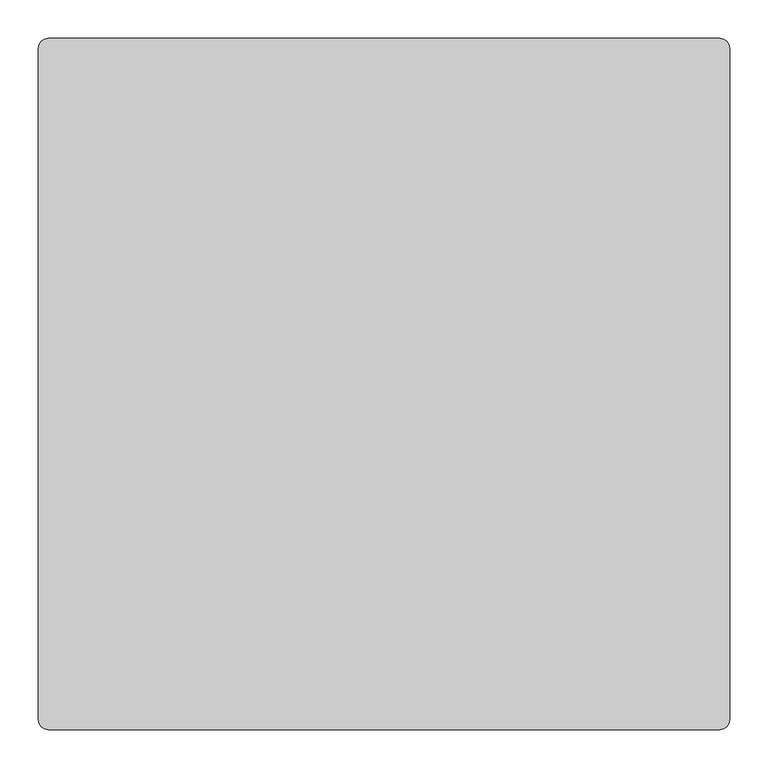
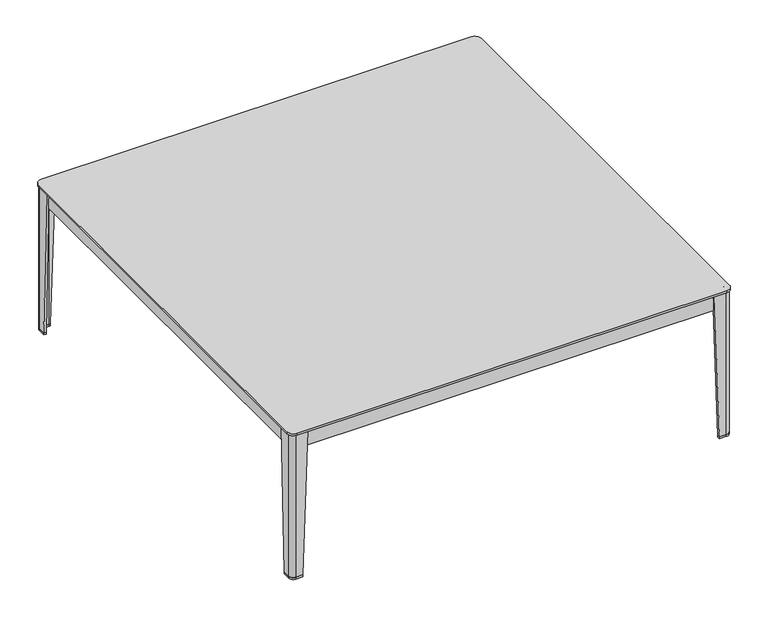
"""IFC4 building model written with IfcOpenShell, lengths in millimetres: furniture geometry."""

from ifc_helpers import new_model, si_unit, point, frame, frame_2d, origin, place, context, project, spatial, polyline, circle_curve, trimmed, segment, composite_curve, outline, extrude, source, transform, mapped, element, save
from ifc_brep_helpers import plane_surface, cylinder_surface, revolved_surface, advanced_brep


def furniture_c5d1782b(model_context):
    return source(origin(), model_context, "Body", "SolidModel", [
        advanced_brep(
        [(280.6347115, 123.9800099, 276.4600147), (286.634712, 123.9800099, 276.4600147), (286.634712, 133.0299165, 276.4600147), (269.6847824, 149.9799488, 276.4600147), (260.6347127, 149.9800036, 276.4600147), (260.6347127, 143.9799519, 276.4600147), (270.0281096, 143.9799519, 276.4600147), (280.6347115, 133.3734046, 276.4600147), (280.6347115, 131.8134707, 261.4600037), (280.6347115, 133.3734046, 261.4600037), (270.0281096, 143.9799519, 261.4600037), (268.4682257, 143.9799519, 261.4600037), (268.4682257, 149.9799561, 261.4600037), (269.6847824, 149.9799488, 261.4600037), (286.634712, 133.0299165, 261.4600037), (286.634712, 131.8134707, 261.4600037)],
        [
            (0, 1),
            (1, 2),
            (2, 3, circle_curve(frame((269.6846797, 133.0299165, 276.4600147), z_axis=(0.0, 0.0, 1.0), x_axis=(0.0, 1.0, 0.0)), 16.9500323)),
            (3, 4),
            (4, 5),
            (5, 6),
            (6, 7),
            (7, 0),
            (8, 9),
            (9, 10),
            (10, 11),
            (11, 12),
            (12, 13),
            (13, 14, circle_curve(frame((269.6846797, 133.0299165, 261.4600037), z_axis=(0.0, 0.0, -1.0), x_axis=(0.0, 1.0, 0.0)), 16.9500323)),
            (14, 15),
            (15, 8),
            (15, 1),
            (0, 8),
            (14, 2),
            (13, 3),
            (12, 4),
            (11, 5),
            (10, 6),
            (9, 7),
        ],
        [
            plane_surface(frame((274.4401455, 137.7853996, 276.4600147), z_axis=(0.0, 0.0, 1.0), x_axis=(1.0, 0.0, 0.0))),
            plane_surface(frame((276.3985238, 139.7437589, 261.4600037), z_axis=(0.0, 0.0, -1.0), x_axis=(1.0, 0.0, 0.0))),
            plane_surface(frame((283.6347117, 131.8134707, 261.4600037), z_axis=(0.0, -0.8864062173018061, -0.46290821760766293), x_axis=(1.0, 0.0, 0.0))),
            plane_surface(frame((286.634712, 132.4216936, 261.4600037), z_axis=(1.0, 0.0, 0.0), x_axis=(0.0, 1.0, 0.0))),
            cylinder_surface(frame((269.6846797, 133.0299165, 261.4600037), z_axis=(0.0, 0.0, 1.0), x_axis=(0.0, 1.0, 0.0)), 16.9500323),
            plane_surface(frame((269.0765041, 149.9799525, 261.4600037), z_axis=(6.055831584503518e-06, 0.9999999999816636, 0.0), x_axis=(-0.9999999999816636, 6.055831584503518e-06, 0.0))),
            plane_surface(frame((268.4682257, 146.979954, 261.4600037), z_axis=(-0.886404950810056, 0.0, -0.46291064275886157), x_axis=(0.0, -1.0, 0.0))),
            plane_surface(frame((269.2481677, 143.9799519, 261.4600037), z_axis=(0.0, -1.0, 0.0), x_axis=(1.0, 0.0, 0.0))),
            plane_surface(frame((275.3314105, 138.6766783, 261.4600037), z_axis=(-0.7071049644302781, -0.7071085979381493, 0.0), x_axis=(0.7071085979381493, -0.7071049644302781, 0.0))),
            plane_surface(frame((280.6347115, 132.5934377, 261.4600037), z_axis=(-1.0, 0.0, 0.0), x_axis=(0.0, -1.0, 0.0))),
        ],
        [
            (0, [[1, 2, 3, 4, 5, 6, 7, 8]]),
            (1, [[9, 10, 11, 12, 13, 14, 15, 16]]),
            (2, [[-16, 17, -1, 18]]),
            (3, [[-15, 19, -2, -17]]),
            (4, [[-14, 20, -3, -19]]),
            (5, [[-13, 21, -4, -20]]),
            (6, [[-12, 22, -5, -21]]),
            (7, [[-11, 23, -6, -22]]),
            (8, [[-10, 24, -7, -23]]),
            (9, [[-9, -18, -8, -24]]),
        ],
    ),
        advanced_brep(
        [(-591.5252878, 123.9800099, 276.4600147), (-591.5252878, 133.3734046, 276.4600147), (-580.9186859, 143.9799519, 276.4600147), (-571.525289, 143.9799519, 276.4600147), (-571.525289, 149.9800036, 276.4600147), (-580.5753587, 149.9799488, 276.4600147), (-597.5252883, 133.0299165, 276.4600147), (-597.5252883, 123.9800099, 276.4600147), (-591.5252878, 131.8134707, 261.4600037), (-597.5252883, 131.8134707, 261.4600037), (-597.5252883, 133.0299165, 261.4600037), (-580.5753587, 149.9799488, 261.4600037), (-579.358802, 149.9799561, 261.4600037), (-579.358802, 143.9799519, 261.4600037), (-580.9186859, 143.9799519, 261.4600037), (-591.5252878, 133.3734046, 261.4600037)],
        [
            (0, 1),
            (1, 2),
            (2, 3),
            (3, 4),
            (4, 5),
            (5, 6, circle_curve(frame((-580.575256, 133.0299165, 276.4600147), z_axis=(0.0, 0.0, 1.0), x_axis=(-0.9999999999816634, -6.055831308072628e-06, 0.0)), 16.9500323)),
            (6, 7),
            (7, 0),
            (8, 9),
            (9, 10),
            (10, 11, circle_curve(frame((-580.575256, 133.0299165, 261.4600037), z_axis=(0.0, 0.0, -1.0), x_axis=(-0.9999999999816634, -6.055831308072628e-06, 0.0)), 16.9500323)),
            (11, 12),
            (12, 13),
            (13, 14),
            (14, 15),
            (15, 8),
            (8, 0),
            (7, 9),
            (6, 10),
            (5, 11),
            (4, 12),
            (3, 13),
            (2, 14),
            (1, 15),
        ],
        [
            plane_surface(frame((-585.3307218, 137.7853996, 276.4600147), z_axis=(0.0, 0.0, 1.0), x_axis=(0.0, 1.0, 0.0))),
            plane_surface(frame((-587.2891001, 139.7437589, 261.4600037), z_axis=(0.0, 0.0, -1.0), x_axis=(0.0, 1.0, 0.0))),
            plane_surface(frame((-594.525288, 131.8134707, 261.4600037), z_axis=(0.0, -0.8864062173018299, -0.4629082176076173), x_axis=(1.0, 0.0, 0.0))),
            plane_surface(frame((-597.5252883, 132.4216936, 261.4600037), z_axis=(-1.0, 0.0, 0.0), x_axis=(0.0, -1.0, 0.0))),
            cylinder_surface(frame((-580.575256, 133.0299165, 261.4600037), z_axis=(0.0, 0.0, 1.0), x_axis=(-0.9999999999816634, -6.055831308072628e-06, 0.0)), 16.9500323),
            plane_surface(frame((-579.9670804, 149.9799525, 261.4600037), z_axis=(-6.055831524677201e-06, 0.9999999999816636, 0.0), x_axis=(-0.9999999999816636, -6.055831524677201e-06, 0.0))),
            plane_surface(frame((-579.358802, 146.979954, 261.4600037), z_axis=(0.8864049508100535, 0.0, -0.46291064275886623), x_axis=(0.0, 1.0, 0.0))),
            plane_surface(frame((-580.138744, 143.9799519, 261.4600037), z_axis=(0.0, -1.0, 0.0), x_axis=(1.0, 0.0, 0.0))),
            plane_surface(frame((-586.2219868, 138.6766783, 261.4600037), z_axis=(0.7071049644302397, -0.7071085979381876, 0.0), x_axis=(0.7071085979381876, 0.7071049644302397, 0.0))),
            plane_surface(frame((-591.5252878, 132.5934377, 261.4600037), z_axis=(1.0, 0.0, 0.0), x_axis=(0.0, 1.0, 0.0))),
        ],
        [
            (0, [[1, 2, 3, 4, 5, 6, 7, 8]]),
            (1, [[9, 10, 11, 12, 13, 14, 15, 16]]),
            (2, [[-9, 17, -8, 18]]),
            (3, [[-10, -18, -7, 19]]),
            (4, [[-11, -19, -6, 20]]),
            (5, [[-12, -20, -5, 21]]),
            (6, [[-13, -21, -4, 22]]),
            (7, [[-14, -22, -3, 23]]),
            (8, [[-15, -23, -2, 24]]),
            (9, [[-16, -24, -1, -17]]),
        ],
    ),
        advanced_brep(
        [(280.6347115, -708.1800099, 276.4600147), (280.6347115, -717.5734046, 276.4600147), (270.0281096, -728.1799519, 276.4600147), (260.6347127, -728.1799519, 276.4600147), (260.6347127, -734.1800036, 276.4600147), (269.6847824, -734.1799488, 276.4600147), (286.634712, -717.2299165, 276.4600147), (286.634712, -708.1800099, 276.4600147), (280.6347115, -716.0134707, 261.4600037), (286.634712, -716.0134707, 261.4600037), (286.634712, -717.2299165, 261.4600037), (269.6847824, -734.1799488, 261.4600037), (268.4682257, -734.1799561, 261.4600037), (268.4682257, -728.1799519, 261.4600037), (270.0281096, -728.1799519, 261.4600037), (280.6347115, -717.5734046, 261.4600037)],
        [
            (0, 1),
            (1, 2),
            (2, 3),
            (3, 4),
            (4, 5),
            (5, 6, circle_curve(frame((269.6846797, -717.2299165, 276.4600147), z_axis=(0.0, 0.0, 1.0), x_axis=(0.9999999999816634, 6.055831301732914e-06, 0.0)), 16.9500323)),
            (6, 7),
            (7, 0),
            (8, 9),
            (9, 10),
            (10, 11, circle_curve(frame((269.6846797, -717.2299165, 261.4600037), z_axis=(0.0, 0.0, -1.0), x_axis=(0.9999999999816634, 6.055831301732914e-06, 0.0)), 16.9500323)),
            (11, 12),
            (12, 13),
            (13, 14),
            (14, 15),
            (15, 8),
            (8, 0),
            (7, 9),
            (6, 10),
            (5, 11),
            (4, 12),
            (3, 13),
            (2, 14),
            (1, 15),
        ],
        [
            plane_surface(frame((274.4401455, -721.9853996, 276.4600147), z_axis=(0.0, 0.0, 1.0), x_axis=(0.0, -1.0, 0.0))),
            plane_surface(frame((276.3985238, -723.9437589, 261.4600037), z_axis=(0.0, 0.0, -1.0), x_axis=(0.0, -1.0, 0.0))),
            plane_surface(frame((283.6347117, -716.0134707, 261.4600037), z_axis=(0.0, 0.8864062173018168, -0.4629082176076425), x_axis=(-1.0, 0.0, 0.0))),
            plane_surface(frame((286.634712, -716.6216936, 261.4600037), z_axis=(1.0, 0.0, 0.0), x_axis=(0.0, 1.0, 0.0))),
            cylinder_surface(frame((269.6846797, -717.2299165, 261.4600037), z_axis=(0.0, 0.0, 1.0), x_axis=(0.9999999999816634, 6.055831301732914e-06, 0.0)), 16.9500323),
            plane_surface(frame((269.0765041, -734.1799525, 261.4600037), z_axis=(6.0558315620688244e-06, -0.9999999999816636, 0.0), x_axis=(0.9999999999816636, 6.0558315620688244e-06, 0.0))),
            plane_surface(frame((268.4682257, -731.179954, 261.4600037), z_axis=(-0.886404950810056, 0.0, -0.46291064275886157), x_axis=(0.0, -1.0, 0.0))),
            plane_surface(frame((269.2481677, -728.1799519, 261.4600037), z_axis=(0.0, 1.0, 0.0), x_axis=(-1.0, 0.0, 0.0))),
            plane_surface(frame((275.3314105, -722.8766783, 261.4600037), z_axis=(-0.7071049644302432, 0.7071085979381843, 0.0), x_axis=(-0.7071085979381843, -0.7071049644302432, 0.0))),
            plane_surface(frame((280.6347115, -716.7934377, 261.4600037), z_axis=(-1.0, 0.0, 0.0), x_axis=(0.0, -1.0, 0.0))),
        ],
        [
            (0, [[1, 2, 3, 4, 5, 6, 7, 8]]),
            (1, [[9, 10, 11, 12, 13, 14, 15, 16]]),
            (2, [[-9, 17, -8, 18]]),
            (3, [[-10, -18, -7, 19]]),
            (4, [[-11, -19, -6, 20]]),
            (5, [[-12, -20, -5, 21]]),
            (6, [[-13, -21, -4, 22]]),
            (7, [[-14, -22, -3, 23]]),
            (8, [[-15, -23, -2, 24]]),
            (9, [[-16, -24, -1, -17]]),
        ],
    ),
        advanced_brep(
        [(-591.5252878, -708.1800099, 276.4600147), (-597.5252883, -708.1800099, 276.4600147), (-597.5252883, -717.2299165, 276.4600147), (-580.5753587, -734.1799488, 276.4600147), (-571.525289, -734.1800036, 276.4600147), (-571.525289, -728.1799519, 276.4600147), (-580.9186859, -728.1799519, 276.4600147), (-591.5252878, -717.5734046, 276.4600147), (-591.5252878, -716.0134707, 261.4600037), (-591.5252878, -717.5734046, 261.4600037), (-580.9186859, -728.1799519, 261.4600037), (-579.358802, -728.1799519, 261.4600037), (-579.358802, -734.1799561, 261.4600037), (-580.5753587, -734.1799488, 261.4600037), (-597.5252883, -717.2299165, 261.4600037), (-597.5252883, -716.0134707, 261.4600037)],
        [
            (0, 1),
            (1, 2),
            (2, 3, circle_curve(frame((-580.575256, -717.2299165, 276.4600147), z_axis=(0.0, 0.0, 1.0), x_axis=(0.0, -1.0, 0.0)), 16.9500323)),
            (3, 4),
            (4, 5),
            (5, 6),
            (6, 7),
            (7, 0),
            (8, 9),
            (9, 10),
            (10, 11),
            (11, 12),
            (12, 13),
            (13, 14, circle_curve(frame((-580.575256, -717.2299165, 261.4600037), z_axis=(0.0, 0.0, -1.0), x_axis=(0.0, -1.0, 0.0)), 16.9500323)),
            (14, 15),
            (15, 8),
            (15, 1),
            (0, 8),
            (14, 2),
            (13, 3),
            (12, 4),
            (11, 5),
            (10, 6),
            (9, 7),
        ],
        [
            plane_surface(frame((-585.3307218, -721.9853996, 276.4600147), z_axis=(0.0, 0.0, 1.0), x_axis=(-1.0, 0.0, 0.0))),
            plane_surface(frame((-587.2891001, -723.9437589, 261.4600037), z_axis=(0.0, 0.0, -1.0), x_axis=(-1.0, 0.0, 0.0))),
            plane_surface(frame((-594.525288, -716.0134707, 261.4600037), z_axis=(0.0, 0.8864062173018398, -0.4629082176075985), x_axis=(-1.0, 0.0, 0.0))),
            plane_surface(frame((-597.5252883, -716.6216936, 261.4600037), z_axis=(-1.0, 0.0, 0.0), x_axis=(0.0, -1.0, 0.0))),
            cylinder_surface(frame((-580.575256, -717.2299165, 261.4600037), z_axis=(0.0, 0.0, 1.0), x_axis=(0.0, -1.0, 0.0)), 16.9500323),
            plane_surface(frame((-579.9670804, -734.1799525, 261.4600037), z_axis=(-6.055831547112392e-06, -0.9999999999816634, 0.0), x_axis=(0.9999999999816634, -6.055831547112392e-06, 0.0))),
            plane_surface(frame((-579.358802, -731.179954, 261.4600037), z_axis=(0.8864049508100551, 0.0, -0.4629106427588631), x_axis=(0.0, 1.0, 0.0))),
            plane_surface(frame((-580.138744, -728.1799519, 261.4600037), z_axis=(0.0, 1.0, 0.0), x_axis=(-1.0, 0.0, 0.0))),
            plane_surface(frame((-586.2219868, -722.8766783, 261.4600037), z_axis=(0.7071049644302589, 0.7071085979381685, 0.0), x_axis=(-0.7071085979381685, 0.7071049644302589, 0.0))),
            plane_surface(frame((-591.5252878, -716.7934377, 261.4600037), z_axis=(1.0, 0.0, 0.0), x_axis=(0.0, 1.0, 0.0))),
        ],
        [
            (0, [[1, 2, 3, 4, 5, 6, 7, 8]]),
            (1, [[9, 10, 11, 12, 13, 14, 15, 16]]),
            (2, [[-16, 17, -1, 18]]),
            (3, [[-15, 19, -2, -17]]),
            (4, [[-14, 20, -3, -19]]),
            (5, [[-13, 21, -4, -20]]),
            (6, [[-12, 22, -5, -21]]),
            (7, [[-11, 23, -6, -22]]),
            (8, [[-10, 24, -7, -23]]),
            (9, [[-9, -18, -8, -24]]),
        ],
    ),
        extrude(outline(polyline([(-589.0252882, 131.4800141), (-579.0252877, 141.4800146), (268.1347146, 141.4800146), (278.1346856, 131.4800141), (278.1346856, -715.6799882), (268.1347146, -725.6799592), (-579.0252877, -725.6799592), (-589.0252882, -715.6799882), (-589.0252882, 131.4800141)])), frame((0.0, 0.0, 276.4600147), z_axis=(0.0, 0.0, 1.0), x_axis=(1.0, 0.0, 0.0)), (0.0, 0.0, 1.0), 19.9999965),
        extrude(outline(polyline([(-597.5252883, 123.9800154), (-591.5252878, 123.9800154), (-591.5252878, 133.3734123), (-580.9186859, 143.9514388), (-571.525289, 143.9514388), (-571.525289, 149.9445613), (260.6347363, 149.9395219), (260.6347363, 143.9514388), (270.028131, 143.9514388), (280.6346783, 133.3734123), (280.6346783, 123.9800154), (286.634712, 123.9800154), (286.634712, -708.1800099), (280.6346783, -708.1800099), (280.6346783, -717.5734046), (270.028131, -728.1513767), (260.6347363, -728.1513767), (260.6347363, -734.1395221), (-571.525289, -734.1445615), (-571.525289, -728.1513767), (-580.9186859, -728.1513767), (-591.5252878, -717.5734046), (-591.5252878, -708.1800099), (-597.5252883, -708.1800099), (-597.5252883, 123.9800154)]), holes=[polyline([(-579.0252877, -725.651384), (268.1347146, -725.651384), (278.1346856, -715.6799882), (278.1346856, 131.4800141), (268.1347146, 141.4514393), (-579.0252877, 141.4514393), (-589.0252882, 131.4800141), (-589.0252882, -715.6799882), (-579.0252877, -725.651384)])]), frame((0.0, 0.0, 276.4600147), z_axis=(0.0, 0.0, 1.0), x_axis=(1.0, 0.0, 0.0)), (0.0, 0.0, 1.0), 34.5000017),
        extrude(outline(composite_curve([segment(polyline([(-578.5252887, 154.9798559), (-578.5252887, 149.9799612), (-580.5753587, 149.9799488)]), True, "CONTINUOUS"), segment(trimmed(circle_curve(frame_2d((-580.575256, 133.0299165)), 16.9500323), [point((-580.5753587, 149.9799488))], [point((-597.5252883, 133.0299165))], True, "CARTESIAN"), True, "CONTINUOUS"), segment(polyline([(-597.5252883, 133.0299165), (-597.5252883, 130.9800187), (-602.5250423, 130.9800187), (-602.5250423, 145.3750328)]), True, "CONTINUOUS"), segment(trimmed(circle_curve(frame_2d((-592.9202193, 145.3750328)), 9.604823), [point((-602.5250423, 145.3750328))], [point((-592.9202193, 154.9798559))], False, "CARTESIAN"), True, "CONTINUOUS"), segment(polyline([(-592.9202193, 154.9798559), (-578.5252887, 154.9798559)]), True, "CONTINUOUS")], self_intersect=False)), frame((0.0, 0.0, 0.5000058), z_axis=(0.0, 0.0, 1.0), x_axis=(1.0, 0.0, 0.0)), (0.0, 0.0, 1.0), 4.0),
        advanced_brep(
        [(-592.9202193, 154.9798559, 311.4600223), (-602.5250423, 145.3750328, 311.4600223), (-602.5250423, 120.979975, 311.4600223), (-597.5252883, 120.979975, 311.4600223), (-597.5252883, 133.0299165, 311.4600223), (-580.5753587, 149.9799488, 311.4600223), (-568.5252881, 149.9800217, 311.4600223), (-568.5252881, 154.9798559, 311.4600223), (-592.9202193, 154.9798559, 4.5000058), (-578.5252887, 154.9798559, 4.5000058), (-578.5252887, 149.9799612, 4.5000058), (-580.5753587, 149.9799488, 4.5000058), (-597.5252883, 133.0299165, 4.5000058), (-597.5252883, 130.9800187, 4.5000058), (-602.5250423, 130.9800187, 4.5000058), (-602.5250423, 145.3750328, 4.5000058)],
        [
            (0, 1, circle_curve(frame((-592.9202193, 145.3750328, 311.4600223), z_axis=(0.0, 0.0, 1.0), x_axis=(-1.0, 0.0, 0.0)), 9.604823)),
            (1, 2),
            (2, 3),
            (3, 4),
            (4, 5, circle_curve(frame((-580.575256, 133.0299165, 311.4600223), z_axis=(0.0, 0.0, -1.0), x_axis=(0.0, 1.0, 0.0)), 16.9500323)),
            (5, 6),
            (6, 7),
            (7, 0),
            (8, 9),
            (9, 10),
            (10, 11),
            (11, 12, circle_curve(frame((-580.575256, 133.0299165, 4.5000058), z_axis=(0.0, 0.0, 1.0), x_axis=(0.0, 1.0, 0.0)), 16.9500323)),
            (12, 13),
            (13, 14),
            (14, 15),
            (15, 8, circle_curve(frame((-592.9202193, 145.3750328, 4.5000058), z_axis=(0.0, 0.0, -1.0), x_axis=(-1.0, 0.0, 0.0)), 9.604823)),
            (10, 6),
            (5, 11),
            (14, 2),
            (1, 15),
            (0, 8),
            (7, 9),
            (13, 3),
            (4, 12),
        ],
        [
            plane_surface(frame((-588.8308519, 141.2855727, 311.4600223), z_axis=(0.0, 0.0, 1.0), x_axis=(0.0, 1.0, 0.0))),
            plane_surface(frame((-591.3308521, 143.785576, 4.5000058), z_axis=(0.0, 0.0, -1.0), x_axis=(0.0, 1.0, 0.0))),
            plane_surface(frame((-579.5503237, 149.979955, 4.5000058), z_axis=(6.055830886270702e-06, -0.9999999999816636, 0.0), x_axis=(0.9999999999816636, 6.055830886270702e-06, 0.0))),
            plane_surface(frame((-602.5250423, 138.1775258, 4.5000058), z_axis=(-1.0, 0.0, 0.0), x_axis=(0.0, -1.0, 0.0))),
            cylinder_surface(frame((-592.9202193, 145.3750328, 4.5000058), z_axis=(0.0, 0.0, 1.0), x_axis=(-1.0, 0.0, 0.0)), 9.604823),
            plane_surface(frame((-585.722754, 154.9798559, 4.5000058), z_axis=(0.0, 1.0, 0.0), x_axis=(-1.0, 0.0, 0.0))),
            plane_surface(frame((-578.5252887, 152.4799085, 4.5000058), z_axis=(0.9994697741300406, 0.0, -0.032560261062308915), x_axis=(0.0, 1.0, 0.0))),
            plane_surface(frame((-600.0251653, 130.9800187, 4.5000058), z_axis=(0.0, -0.9994697695580651, -0.032560401403364754), x_axis=(1.0, 0.0, 0.0))),
            revolved_surface(polyline([(-580.575256, 149.97994880000002, 311.4600223), (-580.575256, 149.97994880000002, 4.5000058)]), (-580.575256, 133.0299165, 4.5000058), (0.0, 0.0, 1.0)),
            plane_surface(frame((-597.5252883, 132.0049676, 4.5000058), z_axis=(1.0, 0.0, 0.0), x_axis=(0.0, 1.0, 0.0))),
        ],
        [
            (0, [[1, 2, 3, 4, 5, 6, 7, 8]]),
            (1, [[9, 10, 11, 12, 13, 14, 15, 16]]),
            (2, [[-11, 17, -6, 18]]),
            (3, [[-15, 19, -2, 20]]),
            (4, [[-16, -20, -1, 21]]),
            (5, [[-9, -21, -8, 22]]),
            (6, [[-10, -22, -7, -17]]),
            (7, [[-14, 23, -3, -19]]),
            (8, [[-12, -18, -5, 24]]),
            (9, [[-13, -24, -4, -23]]),
        ],
    ),
        extrude(outline(composite_curve([segment(polyline([(267.6347124, 154.9798559), (282.029643, 154.9798559)]), True, "CONTINUOUS"), segment(trimmed(circle_curve(frame_2d((282.029643, 145.3750328)), 9.604823), [point((282.029643, 154.9798559))], [point((291.634466, 145.3750328))], False, "CARTESIAN"), True, "CONTINUOUS"), segment(polyline([(291.634466, 145.3750328), (291.634466, 130.9800187), (286.634712, 130.9800187), (286.634712, 133.0299165)]), True, "CONTINUOUS"), segment(trimmed(circle_curve(frame_2d((269.6846797, 133.0299165)), 16.9500323), [point((286.634712, 133.0299165))], [point((269.6847824, 149.9799488))], True, "CARTESIAN"), True, "CONTINUOUS"), segment(polyline([(269.6847824, 149.9799488), (267.6347124, 149.9799612), (267.6347124, 154.9798559)]), True, "CONTINUOUS")], self_intersect=False)), frame((0.0, 0.0, 0.5000058), z_axis=(0.0, 0.0, 1.0), x_axis=(1.0, 0.0, 0.0)), (0.0, 0.0, 1.0), 4.0),
        advanced_brep(
        [(282.029643, 154.9798559, 311.4600223), (257.6347118, 154.9798559, 311.4600223), (257.6347118, 149.9800217, 311.4600223), (269.6847824, 149.9799488, 311.4600223), (286.634712, 133.0299165, 311.4600223), (286.634712, 120.979975, 311.4600223), (291.634466, 120.979975, 311.4600223), (291.634466, 145.3750328, 311.4600223), (282.029643, 154.9798559, 4.5000058), (291.634466, 145.3750328, 4.5000058), (291.634466, 130.9800187, 4.5000058), (286.634712, 130.9800187, 4.5000058), (286.634712, 133.0299165, 4.5000058), (269.6847824, 149.9799488, 4.5000058), (267.6347124, 149.9799612, 4.5000058), (267.6347124, 154.9798559, 4.5000058)],
        [
            (0, 1),
            (1, 2),
            (2, 3),
            (3, 4, circle_curve(frame((269.6846797, 133.0299165, 311.4600223), z_axis=(0.0, 0.0, -1.0), x_axis=(0.9999999999816634, -6.055831369081084e-06, 0.0)), 16.9500323)),
            (4, 5),
            (5, 6),
            (6, 7),
            (7, 0, circle_curve(frame((282.029643, 145.3750328, 311.4600223), z_axis=(0.0, 0.0, 1.0), x_axis=(0.0, 1.0, 0.0)), 9.604823)),
            (8, 9, circle_curve(frame((282.029643, 145.3750328, 4.5000058), z_axis=(0.0, 0.0, -1.0), x_axis=(0.0, 1.0, 0.0)), 9.604823)),
            (9, 10),
            (10, 11),
            (11, 12),
            (12, 13, circle_curve(frame((269.6846797, 133.0299165, 4.5000058), z_axis=(0.0, 0.0, 1.0), x_axis=(0.9999999999816634, -6.055831369081084e-06, 0.0)), 16.9500323)),
            (13, 14),
            (14, 15),
            (15, 8),
            (13, 3),
            (2, 14),
            (9, 7),
            (6, 10),
            (8, 0),
            (15, 1),
            (5, 11),
            (12, 4),
        ],
        [
            plane_surface(frame((277.9402756, 141.2855727, 311.4600223), z_axis=(0.0, 0.0, 1.0), x_axis=(1.0, 0.0, 0.0))),
            plane_surface(frame((280.4402758, 143.785576, 4.5000058), z_axis=(0.0, 0.0, -1.0), x_axis=(1.0, 0.0, 0.0))),
            plane_surface(frame((268.6597474, 149.979955, 4.5000058), z_axis=(-6.0558314310871e-06, -0.9999999999816634, 0.0), x_axis=(0.9999999999816634, -6.0558314310871e-06, 0.0))),
            plane_surface(frame((291.634466, 138.1775258, 4.5000058), z_axis=(1.0, 0.0, 0.0), x_axis=(0.0, 1.0, 0.0))),
            cylinder_surface(frame((282.029643, 145.3750328, 4.5000058), z_axis=(0.0, 0.0, 1.0), x_axis=(0.0, 1.0, 0.0)), 9.604823),
            plane_surface(frame((274.8321777, 154.9798559, 4.5000058), z_axis=(0.0, 1.0, 0.0), x_axis=(-1.0, 0.0, 0.0))),
            plane_surface(frame((267.6347124, 152.4799085, 4.5000058), z_axis=(-0.9994697741300409, 0.0, -0.03256026106229954), x_axis=(0.0, -1.0, 0.0))),
            plane_surface(frame((289.134589, 130.9800187, 4.5000058), z_axis=(0.0, -0.9994697695580574, -0.032560401403600656), x_axis=(1.0, 0.0, 0.0))),
            revolved_surface(polyline([(286.6347119996892, 133.0298138534627, 311.4600223), (286.6347119996892, 133.0298138534627, 4.5000058)]), (269.6846797, 133.0299165, 4.5000058), (0.0, 0.0, 1.0)),
            plane_surface(frame((286.634712, 132.0049676, 4.5000058), z_axis=(-1.0, 0.0, 0.0), x_axis=(0.0, -1.0, 0.0))),
        ],
        [
            (0, [[1, 2, 3, 4, 5, 6, 7, 8]]),
            (1, [[9, 10, 11, 12, 13, 14, 15, 16]]),
            (2, [[-14, 17, -3, 18]]),
            (3, [[-10, 19, -7, 20]]),
            (4, [[-9, 21, -8, -19]]),
            (5, [[-16, 22, -1, -21]]),
            (6, [[-15, -18, -2, -22]]),
            (7, [[-11, -20, -6, 23]]),
            (8, [[-13, 24, -4, -17]]),
            (9, [[-12, -23, -5, -24]]),
        ],
    ),
        extrude(outline(composite_curve([segment(polyline([(267.6347124, -739.1798559), (267.6347124, -734.1799612), (269.6847824, -734.1799488)]), True, "CONTINUOUS"), segment(trimmed(circle_curve(frame_2d((269.6846797, -717.2299165)), 16.9500323), [point((269.6847824, -734.1799488))], [point((286.634712, -717.2299165))], True, "CARTESIAN"), True, "CONTINUOUS"), segment(polyline([(286.634712, -717.2299165), (286.634712, -715.1800187), (291.634466, -715.1800187), (291.634466, -729.5750328)]), True, "CONTINUOUS"), segment(trimmed(circle_curve(frame_2d((282.029643, -729.5750328)), 9.604823), [point((291.634466, -729.5750328))], [point((282.029643, -739.1798559))], False, "CARTESIAN"), True, "CONTINUOUS"), segment(polyline([(282.029643, -739.1798559), (267.6347124, -739.1798559)]), True, "CONTINUOUS")], self_intersect=False)), frame((0.0, 0.0, 0.5000058), z_axis=(0.0, 0.0, 1.0), x_axis=(1.0, 0.0, 0.0)), (0.0, 0.0, 1.0), 4.0),
        advanced_brep(
        [(282.029643, -739.1798559, 311.4600223), (291.634466, -729.5750328, 311.4600223), (291.634466, -705.179975, 311.4600223), (286.634712, -705.179975, 311.4600223), (286.634712, -717.2299165, 311.4600223), (269.6847824, -734.1799488, 311.4600223), (257.6347118, -734.1800217, 311.4600223), (257.6347118, -739.1798559, 311.4600223), (282.029643, -739.1798559, 4.5000058), (267.6347124, -739.1798559, 4.5000058), (267.6347124, -734.1799612, 4.5000058), (269.6847824, -734.1799488, 4.5000058), (286.634712, -717.2299165, 4.5000058), (286.634712, -715.1800187, 4.5000058), (291.634466, -715.1800187, 4.5000058), (291.634466, -729.5750328, 4.5000058)],
        [
            (0, 1, circle_curve(frame((282.029643, -729.5750328, 311.4600223), z_axis=(0.0, 0.0, 1.0), x_axis=(1.0, 0.0, 0.0)), 9.604823)),
            (1, 2),
            (2, 3),
            (3, 4),
            (4, 5, circle_curve(frame((269.6846797, -717.2299165, 311.4600223), z_axis=(0.0, 0.0, -1.0), x_axis=(0.0, -1.0, 0.0)), 16.9500323)),
            (5, 6),
            (6, 7),
            (7, 0),
            (8, 9),
            (9, 10),
            (10, 11),
            (11, 12, circle_curve(frame((269.6846797, -717.2299165, 4.5000058), z_axis=(0.0, 0.0, 1.0), x_axis=(0.0, -1.0, 0.0)), 16.9500323)),
            (12, 13),
            (13, 14),
            (14, 15),
            (15, 8, circle_curve(frame((282.029643, -729.5750328, 4.5000058), z_axis=(0.0, 0.0, -1.0), x_axis=(1.0, 0.0, 0.0)), 9.604823)),
            (10, 6),
            (5, 11),
            (14, 2),
            (1, 15),
            (0, 8),
            (7, 9),
            (13, 3),
            (4, 12),
        ],
        [
            plane_surface(frame((277.9402756, -725.4855727, 311.4600223), z_axis=(0.0, 0.0, 1.0), x_axis=(0.0, -1.0, 0.0))),
            plane_surface(frame((280.4402758, -727.985576, 4.5000058), z_axis=(0.0, 0.0, -1.0), x_axis=(0.0, -1.0, 0.0))),
            plane_surface(frame((268.6597474, -734.179955, 4.5000058), z_axis=(-6.055831360894176e-06, 0.9999999999816636, 0.0), x_axis=(-0.9999999999816636, -6.055831360894176e-06, 0.0))),
            plane_surface(frame((291.634466, -722.3775258, 4.5000058), z_axis=(1.0, 0.0, 0.0), x_axis=(0.0, 1.0, 0.0))),
            cylinder_surface(frame((282.029643, -729.5750328, 4.5000058), z_axis=(0.0, 0.0, 1.0), x_axis=(1.0, 0.0, 0.0)), 9.604823),
            plane_surface(frame((274.8321777, -739.1798559, 4.5000058), z_axis=(0.0, -1.0, 0.0), x_axis=(1.0, 0.0, 0.0))),
            plane_surface(frame((267.6347124, -736.6799085, 4.5000058), z_axis=(-0.9994697741300428, 0.0, -0.032560261062241753), x_axis=(0.0, -1.0, 0.0))),
            plane_surface(frame((289.134589, -715.1800187, 4.5000058), z_axis=(0.0, 0.9994697695580571, -0.03256040140361183), x_axis=(-1.0, 0.0, 0.0))),
            revolved_surface(polyline([(269.6846797, -734.1799487999999, 311.4600223), (269.6846797, -734.1799487999999, 4.5000058)]), (269.6846797, -717.2299165, 4.5000058), (0.0, 0.0, 1.0)),
            plane_surface(frame((286.634712, -716.2049676, 4.5000058), z_axis=(-1.0, 0.0, 0.0), x_axis=(0.0, -1.0, 0.0))),
        ],
        [
            (0, [[1, 2, 3, 4, 5, 6, 7, 8]]),
            (1, [[9, 10, 11, 12, 13, 14, 15, 16]]),
            (2, [[-11, 17, -6, 18]]),
            (3, [[-15, 19, -2, 20]]),
            (4, [[-16, -20, -1, 21]]),
            (5, [[-9, -21, -8, 22]]),
            (6, [[-10, -22, -7, -17]]),
            (7, [[-14, 23, -3, -19]]),
            (8, [[-12, -18, -5, 24]]),
            (9, [[-13, -24, -4, -23]]),
        ],
    ),
        extrude(outline(composite_curve([segment(polyline([(-578.5252887, -739.1798559), (-592.9202193, -739.1798559)]), True, "CONTINUOUS"), segment(trimmed(circle_curve(frame_2d((-592.9202193, -729.5750328)), 9.604823), [point((-592.9202193, -739.1798559))], [point((-602.5250423, -729.5750328))], False, "CARTESIAN"), True, "CONTINUOUS"), segment(polyline([(-602.5250423, -729.5750328), (-602.5250423, -715.1800187), (-597.5252883, -715.1800187), (-597.5252883, -717.2299165)]), True, "CONTINUOUS"), segment(trimmed(circle_curve(frame_2d((-580.575256, -717.2299165)), 16.9500323), [point((-597.5252883, -717.2299165))], [point((-580.5753587, -734.1799488))], True, "CARTESIAN"), True, "CONTINUOUS"), segment(polyline([(-580.5753587, -734.1799488), (-578.5252887, -734.1799612), (-578.5252887, -739.1798559)]), True, "CONTINUOUS")], self_intersect=False)), frame((0.0, 0.0, 0.5000058), z_axis=(0.0, 0.0, 1.0), x_axis=(1.0, 0.0, 0.0)), (0.0, 0.0, 1.0), 4.0),
        advanced_brep(
        [(-592.9202193, -739.1798559, 311.4600223), (-568.5252881, -739.1798559, 311.4600223), (-568.5252881, -734.1800217, 311.4600223), (-580.5753587, -734.1799488, 311.4600223), (-597.5252883, -717.2299165, 311.4600223), (-597.5252883, -705.179975, 311.4600223), (-602.5250423, -705.179975, 311.4600223), (-602.5250423, -729.5750328, 311.4600223), (-592.9202193, -739.1798559, 4.5000058), (-602.5250423, -729.5750328, 4.5000058), (-602.5250423, -715.1800187, 4.5000058), (-597.5252883, -715.1800187, 4.5000058), (-597.5252883, -717.2299165, 4.5000058), (-580.5753587, -734.1799488, 4.5000058), (-578.5252887, -734.1799612, 4.5000058), (-578.5252887, -739.1798559, 4.5000058)],
        [
            (0, 1),
            (1, 2),
            (2, 3),
            (3, 4, circle_curve(frame((-580.575256, -717.2299165, 311.4600223), z_axis=(0.0, 0.0, -1.0), x_axis=(-0.9999999999816634, 6.055828880925937e-06, 0.0)), 16.9500323)),
            (4, 5),
            (5, 6),
            (6, 7),
            (7, 0, circle_curve(frame((-592.9202193, -729.5750328, 311.4600223), z_axis=(0.0, 0.0, 1.0), x_axis=(0.0, -1.0, 0.0)), 9.604823)),
            (8, 9, circle_curve(frame((-592.9202193, -729.5750328, 4.5000058), z_axis=(0.0, 0.0, -1.0), x_axis=(0.0, -1.0, 0.0)), 9.604823)),
            (9, 10),
            (10, 11),
            (11, 12),
            (12, 13, circle_curve(frame((-580.575256, -717.2299165, 4.5000058), z_axis=(0.0, 0.0, 1.0), x_axis=(-0.9999999999816634, 6.055828880925937e-06, 0.0)), 16.9500323)),
            (13, 14),
            (14, 15),
            (15, 8),
            (13, 3),
            (2, 14),
            (9, 7),
            (6, 10),
            (8, 0),
            (15, 1),
            (5, 11),
            (12, 4),
        ],
        [
            plane_surface(frame((-588.8308519, -725.4855727, 311.4600223), z_axis=(0.0, 0.0, 1.0), x_axis=(-1.0, 0.0, 0.0))),
            plane_surface(frame((-591.3308521, -727.985576, 4.5000058), z_axis=(0.0, 0.0, -1.0), x_axis=(-1.0, 0.0, 0.0))),
            plane_surface(frame((-579.5503237, -734.179955, 4.5000058), z_axis=(6.055831360872017e-06, 0.9999999999816636, 0.0), x_axis=(-0.9999999999816636, 6.055831360872017e-06, 0.0))),
            plane_surface(frame((-602.5250423, -722.3775258, 4.5000058), z_axis=(-1.0, 0.0, 0.0), x_axis=(0.0, -1.0, 0.0))),
            cylinder_surface(frame((-592.9202193, -729.5750328, 4.5000058), z_axis=(0.0, 0.0, 1.0), x_axis=(0.0, -1.0, 0.0)), 9.604823),
            plane_surface(frame((-585.722754, -739.1798559, 4.5000058), z_axis=(0.0, -1.0, 0.0), x_axis=(1.0, 0.0, 0.0))),
            plane_surface(frame((-578.5252887, -736.6799085, 4.5000058), z_axis=(0.999469774130043, 0.0, -0.03256026106223544), x_axis=(0.0, 1.0, 0.0))),
            plane_surface(frame((-600.0251653, -715.1800187, 4.5000058), z_axis=(0.0, 0.9994697695580541, -0.03256040140370149), x_axis=(-1.0, 0.0, 0.0))),
            revolved_surface(polyline([(-597.5252882996891, -717.2298138535048, 311.4600223), (-597.5252882996891, -717.2298138535048, 4.5000058)]), (-580.575256, -717.2299165, 4.5000058), (0.0, 0.0, 1.0)),
            plane_surface(frame((-597.5252883, -716.2049676, 4.5000058), z_axis=(1.0, 0.0, 0.0), x_axis=(0.0, 1.0, 0.0))),
        ],
        [
            (0, [[1, 2, 3, 4, 5, 6, 7, 8]]),
            (1, [[9, 10, 11, 12, 13, 14, 15, 16]]),
            (2, [[-14, 17, -3, 18]]),
            (3, [[-10, 19, -7, 20]]),
            (4, [[-9, 21, -8, -19]]),
            (5, [[-16, 22, -1, -21]]),
            (6, [[-15, -18, -2, -22]]),
            (7, [[-11, -20, -6, 23]]),
            (8, [[-13, 24, -4, -17]]),
            (9, [[-12, -23, -5, -24]]),
        ],
    ),
        extrude(outline(composite_curve([segment(trimmed(circle_curve(frame_2d((281.4347118, 144.78)), 12.7), [point((281.4347118, 157.48))], [point((294.1347118, 144.78))], False, "CARTESIAN"), True, "CONTINUOUS"), segment(polyline([(294.1347118, 144.78), (294.1347118, -728.98)]), True, "CONTINUOUS"), segment(trimmed(circle_curve(frame_2d((281.4347118, -728.98)), 12.7), [point((294.1347118, -728.98))], [point((281.4347118, -741.68))], False, "CARTESIAN"), True, "CONTINUOUS"), segment(polyline([(281.4347118, -741.68), (-592.3252882, -741.68)]), True, "CONTINUOUS"), segment(trimmed(circle_curve(frame_2d((-592.3252882, -728.98)), 12.7), [point((-592.3252882, -741.68))], [point((-605.0252882, -728.98))], False, "CARTESIAN"), True, "CONTINUOUS"), segment(polyline([(-605.0252882, -728.98), (-605.0252882, 144.78)]), True, "CONTINUOUS"), segment(trimmed(circle_curve(frame_2d((-592.3252882, 144.78)), 12.7), [point((-605.0252882, 144.78))], [point((-592.3252882, 157.48))], False, "CARTESIAN"), True, "CONTINUOUS"), segment(polyline([(-592.3252882, 157.48), (281.4347118, 157.48)]), True, "CONTINUOUS")], self_intersect=False)), frame((0.0, 0.0, 310.9600164), z_axis=(0.0, 0.0, 1.0), x_axis=(1.0, 0.0, 0.0)), (0.0, 0.0, 1.0), 3.9999836),
    ])


if __name__ == "__main__":
    model = new_model("IFC4")
    model_context = context("Model", 3, world=origin())
    ifc_project = project(units=[si_unit("LENGTHUNIT", "METRE", prefix="MILLI")], contexts=[model_context])
    site = spatial("IfcSite", under=ifc_project)
    building = spatial("IfcBuilding", under=site)
    placement = place(None, origin())
    furniture_shape = furniture_c5d1782b(model_context)
    element("IfcFurniture", 1, at=placement, inside=building, context=model_context, shape_type="MappedRepresentation", body=[
        mapped(furniture_shape, transform((0.0, 0.0, 0.0), x_axis=(1.0, 0.0, 0.0), y_axis=(0.0, 1.0, 0.0), z_axis=(0.0, 0.0, 1.0))),
    ])
    save(model, "model.ifc")
